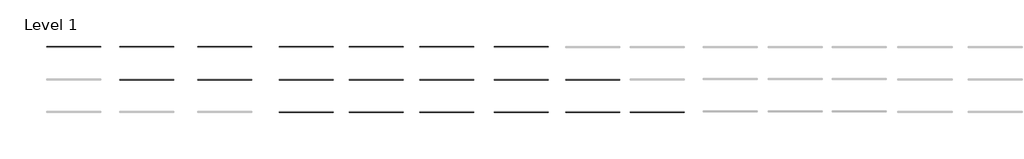
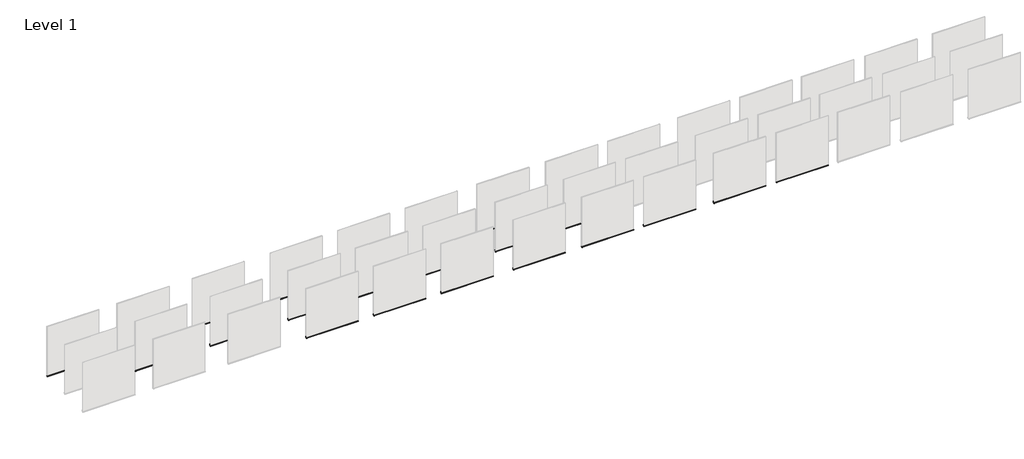
# One storey, part 2 of 3: 22 proxies.
"""IFC4 building model written with IfcOpenShell, lengths in millimetres."""

from ifc_helpers import new_model, si_unit, origin, place, context, project, spatial, faceted_brep, element, save

model = new_model("IFC4")

# Units and contexts
model_context = context("Model", 3, world=origin())
ifc_project = project(units=[si_unit("LENGTHUNIT", "METRE", prefix="MILLI")], contexts=[model_context])

# Site, building, storey
site = spatial("IfcSite", under=ifc_project)
building = spatial("IfcBuilding", under=site)
storey = spatial("IfcBuildingStorey", under=building, Name="Level 1", Elevation=0.0)

# Proxies
placement = place(None, origin())
element("IfcBuildingElementProxy", 1, Name="Wall Sweeps", at=placement, inside=storey, context=model_context, shape_type="Brep", body=[
    faceted_brep([(48716.5829698, -72467.0971315, 69.85), (48716.5829698, -72465.5096315, 69.85), (48716.5829698, -72465.5096315, -1.5875), (48716.5829698, -72529.0096315, -1.5875), (48716.5829698, -72529.0096315, -24.742436), (48716.5829698, -72519.9495995, -33.802468), (48716.5829698, -72521.0721315, -34.925), (48716.5829698, -72530.5971315, -25.4), (48716.5829698, -72530.5971315, 0.0), (48716.5829698, -72516.3096315, 0.0), (48716.5829698, -72479.7971315, 0.0), (48716.5829698, -72467.0971315, 0.0), (51764.5829698, -72467.0971315, 69.85), (51764.5829698, -72467.0971315, 0.0), (51764.5829698, -72479.7971315, 0.0), (51764.5829698, -72516.3096315, 0.0), (51764.5829698, -72530.5971315, 0.0), (51764.5829698, -72530.5971315, -25.4), (51764.5829698, -72521.0721315, -34.925), (51764.5829698, -72519.9495995, -33.802468), (51764.5829698, -72529.0096315, -24.742436), (51764.5829698, -72529.0096315, -1.5875), (51764.5829698, -72465.5096315, -1.5875), (51764.5829698, -72465.5096315, 69.85)], [[[0, 1, 2, 3, 4, 5, 6, 7, 8, 9, 10, 11]], [[12, 13, 14, 15, 16, 17, 18, 19, 20, 21, 22, 23]], [[1, 0, 12, 23]], [[2, 1, 23, 22]], [[3, 2, 22, 21]], [[4, 3, 21, 20]], [[5, 4, 20, 19]], [[6, 5, 19, 18]], [[7, 6, 18, 17]], [[8, 7, 17, 16]], [[11, 10, 9, 8, 16, 15, 14, 13]], [[0, 11, 13, 12]]]),
])
element("IfcBuildingElementProxy", 2, Name="Wall Sweeps", at=placement, inside=storey, context=model_context, shape_type="Brep", body=[
    faceted_brep([(56641.3829698, -72467.0971315, 69.85), (56641.3829698, -72465.5096315, 69.85), (56641.3829698, -72465.5096315, -1.5875), (56641.3829698, -72529.0096315, -1.5875), (56641.3829698, -72529.0096315, -24.742436), (56641.3829698, -72519.9495995, -33.802468), (56641.3829698, -72521.0721315, -34.925), (56641.3829698, -72530.5971315, -25.4), (56641.3829698, -72530.5971315, 0.0), (56641.3829698, -72516.3096315, 0.0), (56641.3829698, -72479.7971315, 0.0), (56641.3829698, -72467.0971315, 0.0), (59689.3829698, -72467.0971315, 69.85), (59689.3829698, -72467.0971315, 0.0), (59689.3829698, -72479.7971315, 0.0), (59689.3829698, -72516.3096315, 0.0), (59689.3829698, -72530.5971315, 0.0), (59689.3829698, -72530.5971315, -25.4), (59689.3829698, -72521.0721315, -34.925), (59689.3829698, -72519.9495995, -33.802468), (59689.3829698, -72529.0096315, -24.742436), (59689.3829698, -72529.0096315, -1.5875), (59689.3829698, -72465.5096315, -1.5875), (59689.3829698, -72465.5096315, 69.85)], [[[0, 1, 2, 3, 4, 5, 6, 7, 8, 9, 10, 11]], [[12, 13, 14, 15, 16, 17, 18, 19, 20, 21, 22, 23]], [[1, 0, 12, 23]], [[2, 1, 23, 22]], [[3, 2, 22, 21]], [[4, 3, 21, 20]], [[5, 4, 20, 19]], [[6, 5, 19, 18]], [[7, 6, 18, 17]], [[8, 7, 17, 16]], [[11, 10, 9, 8, 16, 15, 14, 13]], [[0, 11, 13, 12]]]),
])
element("IfcBuildingElementProxy", 3, Name="Wall Sweeps", at=placement, inside=storey, context=model_context, shape_type="Brep", body=[
    faceted_brep([(64870.9829698, -72467.0971315, 69.85), (64870.9829698, -72465.5096315, 69.85), (64870.9829698, -72465.5096315, -1.5875), (64870.9829698, -72529.0096315, -1.5875), (64870.9829698, -72529.0096315, -24.742436), (64870.9829698, -72519.9495995, -33.802468), (64870.9829698, -72521.0721315, -34.925), (64870.9829698, -72530.5971315, -25.4), (64870.9829698, -72530.5971315, 0.0), (64870.9829698, -72516.3096315, 0.0), (64870.9829698, -72479.7971315, 0.0), (64870.9829698, -72467.0971315, 0.0), (67918.9829698, -72467.0971315, 69.85), (67918.9829698, -72467.0971315, 0.0), (67918.9829698, -72479.7971315, 0.0), (67918.9829698, -72516.3096315, 0.0), (67918.9829698, -72530.5971315, 0.0), (67918.9829698, -72530.5971315, -25.4), (67918.9829698, -72521.0721315, -34.925), (67918.9829698, -72519.9495995, -33.802468), (67918.9829698, -72529.0096315, -24.742436), (67918.9829698, -72529.0096315, -1.5875), (67918.9829698, -72465.5096315, -1.5875), (67918.9829698, -72465.5096315, 69.85)], [[[0, 1, 2, 3, 4, 5, 6, 7, 8, 9, 10, 11]], [[12, 13, 14, 15, 16, 17, 18, 19, 20, 21, 22, 23]], [[1, 0, 12, 23]], [[2, 1, 23, 22]], [[3, 2, 22, 21]], [[4, 3, 21, 20]], [[5, 4, 20, 19]], [[6, 5, 19, 18]], [[7, 6, 18, 17]], [[8, 7, 17, 16]], [[11, 10, 9, 8, 16, 15, 14, 13]], [[0, 11, 13, 12]]]),
])
element("IfcBuildingElementProxy", 4, Name="Wall Sweeps", at=placement, inside=storey, context=model_context, shape_type="Brep", body=[
    faceted_brep([(72643.3829698, -72451.2221315, 69.85), (72643.3829698, -72449.6346315, 69.85), (72643.3829698, -72449.6346315, -1.5875), (72643.3829698, -72513.1346315, -1.5875), (72643.3829698, -72513.1346315, -24.742436), (72643.3829698, -72504.0745995, -33.802468), (72643.3829698, -72505.1971315, -34.925), (72643.3829698, -72514.7221315, -25.4), (72643.3829698, -72514.7221315, 0.0), (72643.3829698, -72500.4346315, 0.0), (72643.3829698, -72463.9221315, 0.0), (72643.3829698, -72451.2221315, 0.0), (75691.3829698, -72451.2221315, 69.85), (75691.3829698, -72451.2221315, 0.0), (75691.3829698, -72463.9221315, 0.0), (75691.3829698, -72500.4346315, 0.0), (75691.3829698, -72514.7221315, 0.0), (75691.3829698, -72514.7221315, -25.4), (75691.3829698, -72505.1971315, -34.925), (75691.3829698, -72504.0745995, -33.802468), (75691.3829698, -72513.1346315, -24.742436), (75691.3829698, -72513.1346315, -1.5875), (75691.3829698, -72449.6346315, -1.5875), (75691.3829698, -72449.6346315, 69.85)], [[[0, 1, 2, 3, 4, 5, 6, 7, 8, 9, 10, 11]], [[12, 13, 14, 15, 16, 17, 18, 19, 20, 21, 22, 23]], [[1, 0, 12, 23]], [[2, 1, 23, 22]], [[3, 2, 22, 21]], [[4, 3, 21, 20]], [[5, 4, 20, 19]], [[6, 5, 19, 18]], [[7, 6, 18, 17]], [[8, 7, 17, 16]], [[11, 10, 9, 8, 16, 15, 14, 13]], [[0, 11, 13, 12]]]),
])
element("IfcBuildingElementProxy", 5, Name="Wall Sweeps", at=placement, inside=storey, context=model_context, shape_type="Brep", body=[
    faceted_brep([(60857.7829698, -72467.0971315, 69.85), (60857.7829698, -72465.5096315, 69.85), (60857.7829698, -72465.5096315, -1.5875), (60857.7829698, -72529.0096315, -1.5875), (60857.7829698, -72529.0096315, -24.742436), (60857.7829698, -72519.9495995, -33.802468), (60857.7829698, -72521.0721315, -34.925), (60857.7829698, -72530.5971315, -25.4), (60857.7829698, -72530.5971315, 0.0), (60857.7829698, -72516.3096315, 0.0), (60857.7829698, -72479.7971315, 0.0), (60857.7829698, -72467.0971315, 0.0), (63905.7829698, -72467.0971315, 69.85), (63905.7829698, -72467.0971315, 0.0), (63905.7829698, -72479.7971315, 0.0), (63905.7829698, -72516.3096315, 0.0), (63905.7829698, -72530.5971315, 0.0), (63905.7829698, -72530.5971315, -25.4), (63905.7829698, -72521.0721315, -34.925), (63905.7829698, -72519.9495995, -33.802468), (63905.7829698, -72529.0096315, -24.742436), (63905.7829698, -72529.0096315, -1.5875), (63905.7829698, -72465.5096315, -1.5875), (63905.7829698, -72465.5096315, 69.85)], [[[0, 1, 2, 3, 4, 5, 6, 7, 8, 9, 10, 11]], [[12, 13, 14, 15, 16, 17, 18, 19, 20, 21, 22, 23]], [[1, 0, 12, 23]], [[2, 1, 23, 22]], [[3, 2, 22, 21]], [[4, 3, 21, 20]], [[5, 4, 20, 19]], [[6, 5, 19, 18]], [[7, 6, 18, 17]], [[8, 7, 17, 16]], [[11, 10, 9, 8, 16, 15, 14, 13]], [[0, 11, 13, 12]]]),
])
element("IfcBuildingElementProxy", 6, Name="Wall Sweeps", at=placement, inside=storey, context=model_context, shape_type="Brep", body=[
    faceted_brep([(68528.5829698, -72467.0971315, 69.85), (68528.5829698, -72465.5096315, 69.85), (68528.5829698, -72465.5096315, -1.5875), (68528.5829698, -72529.0096315, -1.5875), (68528.5829698, -72529.0096315, -24.742436), (68528.5829698, -72519.9495995, -33.802468), (68528.5829698, -72521.0721315, -34.925), (68528.5829698, -72530.5971315, -25.4), (68528.5829698, -72530.5971315, 0.0), (68528.5829698, -72516.3096315, 0.0), (68528.5829698, -72479.7971315, 0.0), (68528.5829698, -72467.0971315, 0.0), (71576.5829698, -72467.0971315, 69.85), (71576.5829698, -72467.0971315, 0.0), (71576.5829698, -72479.7971315, 0.0), (71576.5829698, -72516.3096315, 0.0), (71576.5829698, -72530.5971315, 0.0), (71576.5829698, -72530.5971315, -25.4), (71576.5829698, -72521.0721315, -34.925), (71576.5829698, -72519.9495995, -33.802468), (71576.5829698, -72529.0096315, -24.742436), (71576.5829698, -72529.0096315, -1.5875), (71576.5829698, -72465.5096315, -1.5875), (71576.5829698, -72465.5096315, 69.85)], [[[0, 1, 2, 3, 4, 5, 6, 7, 8, 9, 10, 11]], [[12, 13, 14, 15, 16, 17, 18, 19, 20, 21, 22, 23]], [[1, 0, 12, 23]], [[2, 1, 23, 22]], [[3, 2, 22, 21]], [[4, 3, 21, 20]], [[5, 4, 20, 19]], [[6, 5, 19, 18]], [[7, 6, 18, 17]], [[8, 7, 17, 16]], [[11, 10, 9, 8, 16, 15, 14, 13]], [[0, 11, 13, 12]]]),
])
element("IfcBuildingElementProxy", 7, Name="Wall Sweeps", at=placement, inside=storey, context=model_context, shape_type="Brep", body=[
    faceted_brep([(76300.9829698, -72451.2221315, 69.85), (76300.9829698, -72449.6346315, 69.85), (76300.9829698, -72449.6346315, -1.5875), (76300.9829698, -72513.1346315, -1.5875), (76300.9829698, -72513.1346315, -24.742436), (76300.9829698, -72504.0745995, -33.802468), (76300.9829698, -72505.1971315, -34.925), (76300.9829698, -72514.7221315, -25.4), (76300.9829698, -72514.7221315, 0.0), (76300.9829698, -72500.4346315, 0.0), (76300.9829698, -72463.9221315, 0.0), (76300.9829698, -72451.2221315, 0.0), (79348.9829698, -72451.2221315, 69.85), (79348.9829698, -72451.2221315, 0.0), (79348.9829698, -72463.9221315, 0.0), (79348.9829698, -72500.4346315, 0.0), (79348.9829698, -72514.7221315, 0.0), (79348.9829698, -72514.7221315, -25.4), (79348.9829698, -72505.1971315, -34.925), (79348.9829698, -72504.0745995, -33.802468), (79348.9829698, -72513.1346315, -24.742436), (79348.9829698, -72513.1346315, -1.5875), (79348.9829698, -72449.6346315, -1.5875), (79348.9829698, -72449.6346315, 69.85)], [[[0, 1, 2, 3, 4, 5, 6, 7, 8, 9, 10, 11]], [[12, 13, 14, 15, 16, 17, 18, 19, 20, 21, 22, 23]], [[1, 0, 12, 23]], [[2, 1, 23, 22]], [[3, 2, 22, 21]], [[4, 3, 21, 20]], [[5, 4, 20, 19]], [[6, 5, 19, 18]], [[7, 6, 18, 17]], [[8, 7, 17, 16]], [[11, 10, 9, 8, 16, 15, 14, 13]], [[0, 11, 13, 12]]]),
])
element("IfcBuildingElementProxy", 8, Name="Wall Sweeps", at=placement, inside=storey, context=model_context, shape_type="Brep", body=[
    faceted_brep([(52678.9829698, -72467.0971315, 69.85), (52678.9829698, -72465.5096315, 69.85), (52678.9829698, -72465.5096315, -1.5875), (52678.9829698, -72529.0096315, -1.5875), (52678.9829698, -72529.0096315, -24.742436), (52678.9829698, -72519.9495995, -33.802468), (52678.9829698, -72521.0721315, -34.925), (52678.9829698, -72530.5971315, -25.4), (52678.9829698, -72530.5971315, 0.0), (52678.9829698, -72516.3096315, 0.0), (52678.9829698, -72479.7971315, 0.0), (52678.9829698, -72467.0971315, 0.0), (55726.9829698, -72467.0971315, 69.85), (55726.9829698, -72467.0971315, 0.0), (55726.9829698, -72479.7971315, 0.0), (55726.9829698, -72516.3096315, 0.0), (55726.9829698, -72530.5971315, 0.0), (55726.9829698, -72530.5971315, -25.4), (55726.9829698, -72521.0721315, -34.925), (55726.9829698, -72519.9495995, -33.802468), (55726.9829698, -72529.0096315, -24.742436), (55726.9829698, -72529.0096315, -1.5875), (55726.9829698, -72465.5096315, -1.5875), (55726.9829698, -72465.5096315, 69.85)], [[[0, 1, 2, 3, 4, 5, 6, 7, 8, 9, 10, 11]], [[12, 13, 14, 15, 16, 17, 18, 19, 20, 21, 22, 23]], [[1, 0, 12, 23]], [[2, 1, 23, 22]], [[3, 2, 22, 21]], [[4, 3, 21, 20]], [[5, 4, 20, 19]], [[6, 5, 19, 18]], [[7, 6, 18, 17]], [[8, 7, 17, 16]], [[11, 10, 9, 8, 16, 15, 14, 13]], [[0, 11, 13, 12]]]),
])
element("IfcBuildingElementProxy", 9, Name="Wall Sweeps", at=placement, inside=storey, context=model_context, shape_type="Brep", body=[
    faceted_brep([(48716.5829698, -70638.2971315, 69.85), (48716.5829698, -70636.7096315, 69.85), (48716.5829698, -70636.7096315, -1.5875), (48716.5829698, -70700.2096315, -1.5875), (48716.5829698, -70700.2096315, -24.742436), (48716.5829698, -70691.1495995, -33.802468), (48716.5829698, -70692.2721315, -34.925), (48716.5829698, -70701.7971315, -25.4), (48716.5829698, -70701.7971315, 0.0), (48716.5829698, -70687.5096315, 0.0), (48716.5829698, -70650.9971315, 0.0), (48716.5829698, -70638.2971315, 0.0), (51764.5829698, -70638.2971315, 69.85), (51764.5829698, -70638.2971315, 0.0), (51764.5829698, -70650.9971315, 0.0), (51764.5829698, -70687.5096315, 0.0), (51764.5829698, -70701.7971315, 0.0), (51764.5829698, -70701.7971315, -25.4), (51764.5829698, -70692.2721315, -34.925), (51764.5829698, -70691.1495995, -33.802468), (51764.5829698, -70700.2096315, -24.742436), (51764.5829698, -70700.2096315, -1.5875), (51764.5829698, -70636.7096315, -1.5875), (51764.5829698, -70636.7096315, 69.85)], [[[0, 1, 2, 3, 4, 5, 6, 7, 8, 9, 10, 11]], [[12, 13, 14, 15, 16, 17, 18, 19, 20, 21, 22, 23]], [[1, 0, 12, 23]], [[2, 1, 23, 22]], [[3, 2, 22, 21]], [[4, 3, 21, 20]], [[5, 4, 20, 19]], [[6, 5, 19, 18]], [[7, 6, 18, 17]], [[8, 7, 17, 16]], [[11, 10, 9, 8, 16, 15, 14, 13]], [[0, 11, 13, 12]]]),
])
element("IfcBuildingElementProxy", 10, Name="Wall Sweeps", at=placement, inside=storey, context=model_context, shape_type="Brep", body=[
    faceted_brep([(56641.3829698, -70638.2971315, 69.85), (56641.3829698, -70636.7096315, 69.85), (56641.3829698, -70636.7096315, -1.5875), (56641.3829698, -70700.2096315, -1.5875), (56641.3829698, -70700.2096315, -24.742436), (56641.3829698, -70691.1495995, -33.802468), (56641.3829698, -70692.2721315, -34.925), (56641.3829698, -70701.7971315, -25.4), (56641.3829698, -70701.7971315, 0.0), (56641.3829698, -70687.5096315, 0.0), (56641.3829698, -70650.9971315, 0.0), (56641.3829698, -70638.2971315, 0.0), (59689.3829698, -70638.2971315, 69.85), (59689.3829698, -70638.2971315, 0.0), (59689.3829698, -70650.9971315, 0.0), (59689.3829698, -70687.5096315, 0.0), (59689.3829698, -70701.7971315, 0.0), (59689.3829698, -70701.7971315, -25.4), (59689.3829698, -70692.2721315, -34.925), (59689.3829698, -70691.1495995, -33.802468), (59689.3829698, -70700.2096315, -24.742436), (59689.3829698, -70700.2096315, -1.5875), (59689.3829698, -70636.7096315, -1.5875), (59689.3829698, -70636.7096315, 69.85)], [[[0, 1, 2, 3, 4, 5, 6, 7, 8, 9, 10, 11]], [[12, 13, 14, 15, 16, 17, 18, 19, 20, 21, 22, 23]], [[1, 0, 12, 23]], [[2, 1, 23, 22]], [[3, 2, 22, 21]], [[4, 3, 21, 20]], [[5, 4, 20, 19]], [[6, 5, 19, 18]], [[7, 6, 18, 17]], [[8, 7, 17, 16]], [[11, 10, 9, 8, 16, 15, 14, 13]], [[0, 11, 13, 12]]]),
])
element("IfcBuildingElementProxy", 11, Name="Wall Sweeps", at=placement, inside=storey, context=model_context, shape_type="Brep", body=[
    faceted_brep([(64870.9829698, -70638.2971315, 69.85), (64870.9829698, -70636.7096315, 69.85), (64870.9829698, -70636.7096315, -1.5875), (64870.9829698, -70700.2096315, -1.5875), (64870.9829698, -70700.2096315, -24.742436), (64870.9829698, -70691.1495995, -33.802468), (64870.9829698, -70692.2721315, -34.925), (64870.9829698, -70701.7971315, -25.4), (64870.9829698, -70701.7971315, 0.0), (64870.9829698, -70687.5096315, 0.0), (64870.9829698, -70650.9971315, 0.0), (64870.9829698, -70638.2971315, 0.0), (67918.9829698, -70638.2971315, 69.85), (67918.9829698, -70638.2971315, 0.0), (67918.9829698, -70650.9971315, 0.0), (67918.9829698, -70687.5096315, 0.0), (67918.9829698, -70701.7971315, 0.0), (67918.9829698, -70701.7971315, -25.4), (67918.9829698, -70692.2721315, -34.925), (67918.9829698, -70691.1495995, -33.802468), (67918.9829698, -70700.2096315, -24.742436), (67918.9829698, -70700.2096315, -1.5875), (67918.9829698, -70636.7096315, -1.5875), (67918.9829698, -70636.7096315, 69.85)], [[[0, 1, 2, 3, 4, 5, 6, 7, 8, 9, 10, 11]], [[12, 13, 14, 15, 16, 17, 18, 19, 20, 21, 22, 23]], [[1, 0, 12, 23]], [[2, 1, 23, 22]], [[3, 2, 22, 21]], [[4, 3, 21, 20]], [[5, 4, 20, 19]], [[6, 5, 19, 18]], [[7, 6, 18, 17]], [[8, 7, 17, 16]], [[11, 10, 9, 8, 16, 15, 14, 13]], [[0, 11, 13, 12]]]),
])
element("IfcBuildingElementProxy", 12, Name="Wall Sweeps", at=placement, inside=storey, context=model_context, shape_type="Brep", body=[
    faceted_brep([(60857.7829698, -70638.2971315, 69.85), (60857.7829698, -70636.7096315, 69.85), (60857.7829698, -70636.7096315, -1.5875), (60857.7829698, -70700.2096315, -1.5875), (60857.7829698, -70700.2096315, -24.742436), (60857.7829698, -70691.1495995, -33.802468), (60857.7829698, -70692.2721315, -34.925), (60857.7829698, -70701.7971315, -25.4), (60857.7829698, -70701.7971315, 0.0), (60857.7829698, -70687.5096315, 0.0), (60857.7829698, -70650.9971315, 0.0), (60857.7829698, -70638.2971315, 0.0), (63905.7829698, -70638.2971315, 69.85), (63905.7829698, -70638.2971315, 0.0), (63905.7829698, -70650.9971315, 0.0), (63905.7829698, -70687.5096315, 0.0), (63905.7829698, -70701.7971315, 0.0), (63905.7829698, -70701.7971315, -25.4), (63905.7829698, -70692.2721315, -34.925), (63905.7829698, -70691.1495995, -33.802468), (63905.7829698, -70700.2096315, -24.742436), (63905.7829698, -70700.2096315, -1.5875), (63905.7829698, -70636.7096315, -1.5875), (63905.7829698, -70636.7096315, 69.85)], [[[0, 1, 2, 3, 4, 5, 6, 7, 8, 9, 10, 11]], [[12, 13, 14, 15, 16, 17, 18, 19, 20, 21, 22, 23]], [[1, 0, 12, 23]], [[2, 1, 23, 22]], [[3, 2, 22, 21]], [[4, 3, 21, 20]], [[5, 4, 20, 19]], [[6, 5, 19, 18]], [[7, 6, 18, 17]], [[8, 7, 17, 16]], [[11, 10, 9, 8, 16, 15, 14, 13]], [[0, 11, 13, 12]]]),
])
element("IfcBuildingElementProxy", 13, Name="Wall Sweeps", at=placement, inside=storey, context=model_context, shape_type="Brep", body=[
    faceted_brep([(52678.9829698, -70638.2971315, 69.85), (52678.9829698, -70636.7096315, 69.85), (52678.9829698, -70636.7096315, -1.5875), (52678.9829698, -70700.2096315, -1.5875), (52678.9829698, -70700.2096315, -24.742436), (52678.9829698, -70691.1495995, -33.802468), (52678.9829698, -70692.2721315, -34.925), (52678.9829698, -70701.7971315, -25.4), (52678.9829698, -70701.7971315, 0.0), (52678.9829698, -70687.5096315, 0.0), (52678.9829698, -70650.9971315, 0.0), (52678.9829698, -70638.2971315, 0.0), (55726.9829698, -70638.2971315, 69.85), (55726.9829698, -70638.2971315, 0.0), (55726.9829698, -70650.9971315, 0.0), (55726.9829698, -70687.5096315, 0.0), (55726.9829698, -70701.7971315, 0.0), (55726.9829698, -70701.7971315, -25.4), (55726.9829698, -70692.2721315, -34.925), (55726.9829698, -70691.1495995, -33.802468), (55726.9829698, -70700.2096315, -24.742436), (55726.9829698, -70700.2096315, -1.5875), (55726.9829698, -70636.7096315, -1.5875), (55726.9829698, -70636.7096315, 69.85)], [[[0, 1, 2, 3, 4, 5, 6, 7, 8, 9, 10, 11]], [[12, 13, 14, 15, 16, 17, 18, 19, 20, 21, 22, 23]], [[1, 0, 12, 23]], [[2, 1, 23, 22]], [[3, 2, 22, 21]], [[4, 3, 21, 20]], [[5, 4, 20, 19]], [[6, 5, 19, 18]], [[7, 6, 18, 17]], [[8, 7, 17, 16]], [[11, 10, 9, 8, 16, 15, 14, 13]], [[0, 11, 13, 12]]]),
])
element("IfcBuildingElementProxy", 14, Name="Wall Sweeps", at=placement, inside=storey, context=model_context, shape_type="Brep", body=[
    faceted_brep([(44144.5829698, -70638.2971315, 69.85), (44144.5829698, -70636.7096315, 69.85), (44144.5829698, -70636.7096315, -1.5875), (44144.5829698, -70700.2096315, -1.5875), (44144.5829698, -70700.2096315, -24.742436), (44144.5829698, -70691.1495995, -33.802468), (44144.5829698, -70692.2721315, -34.925), (44144.5829698, -70701.7971315, -25.4), (44144.5829698, -70701.7971315, 0.0), (44144.5829698, -70687.5096315, 0.0), (44144.5829698, -70650.9971315, 0.0), (44144.5829698, -70638.2971315, 0.0), (47192.5829698, -70638.2971315, 69.85), (47192.5829698, -70638.2971315, 0.0), (47192.5829698, -70650.9971315, 0.0), (47192.5829698, -70687.5096315, 0.0), (47192.5829698, -70701.7971315, 0.0), (47192.5829698, -70701.7971315, -25.4), (47192.5829698, -70692.2721315, -34.925), (47192.5829698, -70691.1495995, -33.802468), (47192.5829698, -70700.2096315, -24.742436), (47192.5829698, -70700.2096315, -1.5875), (47192.5829698, -70636.7096315, -1.5875), (47192.5829698, -70636.7096315, 69.85)], [[[0, 1, 2, 3, 4, 5, 6, 7, 8, 9, 10, 11]], [[12, 13, 14, 15, 16, 17, 18, 19, 20, 21, 22, 23]], [[1, 0, 12, 23]], [[2, 1, 23, 22]], [[3, 2, 22, 21]], [[4, 3, 21, 20]], [[5, 4, 20, 19]], [[6, 5, 19, 18]], [[7, 6, 18, 17]], [[8, 7, 17, 16]], [[11, 10, 9, 8, 16, 15, 14, 13]], [[0, 11, 13, 12]]]),
])
element("IfcBuildingElementProxy", 15, Name="Wall Sweeps", at=placement, inside=storey, context=model_context, shape_type="Brep", body=[
    faceted_brep([(39724.9829698, -70638.2971315, 69.85), (39724.9829698, -70636.7096315, 69.85), (39724.9829698, -70636.7096315, -1.5875), (39724.9829698, -70700.2096315, -1.5875), (39724.9829698, -70700.2096315, -24.742436), (39724.9829698, -70691.1495995, -33.802468), (39724.9829698, -70692.2721315, -34.925), (39724.9829698, -70701.7971315, -25.4), (39724.9829698, -70701.7971315, 0.0), (39724.9829698, -70687.5096315, 0.0), (39724.9829698, -70650.9971315, 0.0), (39724.9829698, -70638.2971315, 0.0), (42772.9829698, -70638.2971315, 69.85), (42772.9829698, -70638.2971315, 0.0), (42772.9829698, -70650.9971315, 0.0), (42772.9829698, -70687.5096315, 0.0), (42772.9829698, -70701.7971315, 0.0), (42772.9829698, -70701.7971315, -25.4), (42772.9829698, -70692.2721315, -34.925), (42772.9829698, -70691.1495995, -33.802468), (42772.9829698, -70700.2096315, -24.742436), (42772.9829698, -70700.2096315, -1.5875), (42772.9829698, -70636.7096315, -1.5875), (42772.9829698, -70636.7096315, 69.85)], [[[0, 1, 2, 3, 4, 5, 6, 7, 8, 9, 10, 11]], [[12, 13, 14, 15, 16, 17, 18, 19, 20, 21, 22, 23]], [[1, 0, 12, 23]], [[2, 1, 23, 22]], [[3, 2, 22, 21]], [[4, 3, 21, 20]], [[5, 4, 20, 19]], [[6, 5, 19, 18]], [[7, 6, 18, 17]], [[8, 7, 17, 16]], [[11, 10, 9, 8, 16, 15, 14, 13]], [[0, 11, 13, 12]]]),
])
element("IfcBuildingElementProxy", 16, Name="Wall Sweeps", at=placement, inside=storey, context=model_context, shape_type="Brep", body=[
    faceted_brep([(48716.5829698, -68820.1446635, 69.85), (48716.5829698, -68818.5571635, 69.85), (48716.5829698, -68818.5571635, -1.5875), (48716.5829698, -68882.0571635, -1.5875), (48716.5829698, -68882.0571635, -24.742436), (48716.5829698, -68872.9971315, -33.802468), (48716.5829698, -68874.1196635, -34.925), (48716.5829698, -68883.6446635, -25.4), (48716.5829698, -68883.6446635, 0.0), (48716.5829698, -68869.3571635, 0.0), (48716.5829698, -68832.8446635, 0.0), (48716.5829698, -68820.1446635, 0.0), (51764.5829698, -68820.1446635, 69.85), (51764.5829698, -68820.1446635, 0.0), (51764.5829698, -68832.8446635, 0.0), (51764.5829698, -68869.3571635, 0.0), (51764.5829698, -68883.6446635, 0.0), (51764.5829698, -68883.6446635, -25.4), (51764.5829698, -68874.1196635, -34.925), (51764.5829698, -68872.9971315, -33.802468), (51764.5829698, -68882.0571635, -24.742436), (51764.5829698, -68882.0571635, -1.5875), (51764.5829698, -68818.5571635, -1.5875), (51764.5829698, -68818.5571635, 69.85)], [[[0, 1, 2, 3, 4, 5, 6, 7, 8, 9, 10, 11]], [[12, 13, 14, 15, 16, 17, 18, 19, 20, 21, 22, 23]], [[1, 0, 12, 23]], [[2, 1, 23, 22]], [[3, 2, 22, 21]], [[4, 3, 21, 20]], [[5, 4, 20, 19]], [[6, 5, 19, 18]], [[7, 6, 18, 17]], [[8, 7, 17, 16]], [[11, 10, 9, 8, 16, 15, 14, 13]], [[0, 11, 13, 12]]]),
])
element("IfcBuildingElementProxy", 17, Name="Wall Sweeps", at=placement, inside=storey, context=model_context, shape_type="Brep", body=[
    faceted_brep([(56641.3829698, -68820.1446635, 69.85), (56641.3829698, -68818.5571635, 69.85), (56641.3829698, -68818.5571635, -1.5875), (56641.3829698, -68882.0571635, -1.5875), (56641.3829698, -68882.0571635, -24.742436), (56641.3829698, -68872.9971315, -33.802468), (56641.3829698, -68874.1196635, -34.925), (56641.3829698, -68883.6446635, -25.4), (56641.3829698, -68883.6446635, 0.0), (56641.3829698, -68869.3571635, 0.0), (56641.3829698, -68832.8446635, 0.0), (56641.3829698, -68820.1446635, 0.0), (59689.3829698, -68820.1446635, 69.85), (59689.3829698, -68820.1446635, 0.0), (59689.3829698, -68832.8446635, 0.0), (59689.3829698, -68869.3571635, 0.0), (59689.3829698, -68883.6446635, 0.0), (59689.3829698, -68883.6446635, -25.4), (59689.3829698, -68874.1196635, -34.925), (59689.3829698, -68872.9971315, -33.802468), (59689.3829698, -68882.0571635, -24.742436), (59689.3829698, -68882.0571635, -1.5875), (59689.3829698, -68818.5571635, -1.5875), (59689.3829698, -68818.5571635, 69.85)], [[[0, 1, 2, 3, 4, 5, 6, 7, 8, 9, 10, 11]], [[12, 13, 14, 15, 16, 17, 18, 19, 20, 21, 22, 23]], [[1, 0, 12, 23]], [[2, 1, 23, 22]], [[3, 2, 22, 21]], [[4, 3, 21, 20]], [[5, 4, 20, 19]], [[6, 5, 19, 18]], [[7, 6, 18, 17]], [[8, 7, 17, 16]], [[11, 10, 9, 8, 16, 15, 14, 13]], [[0, 11, 13, 12]]]),
])
element("IfcBuildingElementProxy", 18, Name="Wall Sweeps", at=placement, inside=storey, context=model_context, shape_type="Brep", body=[
    faceted_brep([(60857.7829698, -68820.1446635, 69.85), (60857.7829698, -68818.5571635, 69.85), (60857.7829698, -68818.5571635, -1.5875), (60857.7829698, -68882.0571635, -1.5875), (60857.7829698, -68882.0571635, -24.742436), (60857.7829698, -68872.9971315, -33.802468), (60857.7829698, -68874.1196635, -34.925), (60857.7829698, -68883.6446635, -25.4), (60857.7829698, -68883.6446635, 0.0), (60857.7829698, -68869.3571635, 0.0), (60857.7829698, -68832.8446635, 0.0), (60857.7829698, -68820.1446635, 0.0), (63905.7829698, -68820.1446635, 69.85), (63905.7829698, -68820.1446635, 0.0), (63905.7829698, -68832.8446635, 0.0), (63905.7829698, -68869.3571635, 0.0), (63905.7829698, -68883.6446635, 0.0), (63905.7829698, -68883.6446635, -25.4), (63905.7829698, -68874.1196635, -34.925), (63905.7829698, -68872.9971315, -33.802468), (63905.7829698, -68882.0571635, -24.742436), (63905.7829698, -68882.0571635, -1.5875), (63905.7829698, -68818.5571635, -1.5875), (63905.7829698, -68818.5571635, 69.85)], [[[0, 1, 2, 3, 4, 5, 6, 7, 8, 9, 10, 11]], [[12, 13, 14, 15, 16, 17, 18, 19, 20, 21, 22, 23]], [[1, 0, 12, 23]], [[2, 1, 23, 22]], [[3, 2, 22, 21]], [[4, 3, 21, 20]], [[5, 4, 20, 19]], [[6, 5, 19, 18]], [[7, 6, 18, 17]], [[8, 7, 17, 16]], [[11, 10, 9, 8, 16, 15, 14, 13]], [[0, 11, 13, 12]]]),
])
element("IfcBuildingElementProxy", 19, Name="Wall Sweeps", at=placement, inside=storey, context=model_context, shape_type="Brep", body=[
    faceted_brep([(52678.9829698, -68820.1446635, 69.85), (52678.9829698, -68818.5571635, 69.85), (52678.9829698, -68818.5571635, -1.5875), (52678.9829698, -68882.0571635, -1.5875), (52678.9829698, -68882.0571635, -24.742436), (52678.9829698, -68872.9971315, -33.802468), (52678.9829698, -68874.1196635, -34.925), (52678.9829698, -68883.6446635, -25.4), (52678.9829698, -68883.6446635, 0.0), (52678.9829698, -68869.3571635, 0.0), (52678.9829698, -68832.8446635, 0.0), (52678.9829698, -68820.1446635, 0.0), (55726.9829698, -68820.1446635, 69.85), (55726.9829698, -68820.1446635, 0.0), (55726.9829698, -68832.8446635, 0.0), (55726.9829698, -68869.3571635, 0.0), (55726.9829698, -68883.6446635, 0.0), (55726.9829698, -68883.6446635, -25.4), (55726.9829698, -68874.1196635, -34.925), (55726.9829698, -68872.9971315, -33.802468), (55726.9829698, -68882.0571635, -24.742436), (55726.9829698, -68882.0571635, -1.5875), (55726.9829698, -68818.5571635, -1.5875), (55726.9829698, -68818.5571635, 69.85)], [[[0, 1, 2, 3, 4, 5, 6, 7, 8, 9, 10, 11]], [[12, 13, 14, 15, 16, 17, 18, 19, 20, 21, 22, 23]], [[1, 0, 12, 23]], [[2, 1, 23, 22]], [[3, 2, 22, 21]], [[4, 3, 21, 20]], [[5, 4, 20, 19]], [[6, 5, 19, 18]], [[7, 6, 18, 17]], [[8, 7, 17, 16]], [[11, 10, 9, 8, 16, 15, 14, 13]], [[0, 11, 13, 12]]]),
])
element("IfcBuildingElementProxy", 20, Name="Wall Sweeps", at=placement, inside=storey, context=model_context, shape_type="Brep", body=[
    faceted_brep([(44144.5829698, -68820.1446635, 69.85), (44144.5829698, -68818.5571635, 69.85), (44144.5829698, -68818.5571635, -1.5875), (44144.5829698, -68882.0571635, -1.5875), (44144.5829698, -68882.0571635, -24.742436), (44144.5829698, -68872.9971315, -33.802468), (44144.5829698, -68874.1196635, -34.925), (44144.5829698, -68883.6446635, -25.4), (44144.5829698, -68883.6446635, 0.0), (44144.5829698, -68869.3571635, 0.0), (44144.5829698, -68832.8446635, 0.0), (44144.5829698, -68820.1446635, 0.0), (47192.5829698, -68820.1446635, 69.85), (47192.5829698, -68820.1446635, 0.0), (47192.5829698, -68832.8446635, 0.0), (47192.5829698, -68869.3571635, 0.0), (47192.5829698, -68883.6446635, 0.0), (47192.5829698, -68883.6446635, -25.4), (47192.5829698, -68874.1196635, -34.925), (47192.5829698, -68872.9971315, -33.802468), (47192.5829698, -68882.0571635, -24.742436), (47192.5829698, -68882.0571635, -1.5875), (47192.5829698, -68818.5571635, -1.5875), (47192.5829698, -68818.5571635, 69.85)], [[[0, 1, 2, 3, 4, 5, 6, 7, 8, 9, 10, 11]], [[12, 13, 14, 15, 16, 17, 18, 19, 20, 21, 22, 23]], [[1, 0, 12, 23]], [[2, 1, 23, 22]], [[3, 2, 22, 21]], [[4, 3, 21, 20]], [[5, 4, 20, 19]], [[6, 5, 19, 18]], [[7, 6, 18, 17]], [[8, 7, 17, 16]], [[11, 10, 9, 8, 16, 15, 14, 13]], [[0, 11, 13, 12]]]),
])
element("IfcBuildingElementProxy", 21, Name="Wall Sweeps", at=placement, inside=storey, context=model_context, shape_type="Brep", body=[
    faceted_brep([(39724.9829698, -68820.1446635, 69.85), (39724.9829698, -68818.5571635, 69.85), (39724.9829698, -68818.5571635, -1.5875), (39724.9829698, -68882.0571635, -1.5875), (39724.9829698, -68882.0571635, -24.742436), (39724.9829698, -68872.9971315, -33.802468), (39724.9829698, -68874.1196635, -34.925), (39724.9829698, -68883.6446635, -25.4), (39724.9829698, -68883.6446635, 0.0), (39724.9829698, -68869.3571635, 0.0), (39724.9829698, -68832.8446635, 0.0), (39724.9829698, -68820.1446635, 0.0), (42772.9829698, -68820.1446635, 69.85), (42772.9829698, -68820.1446635, 0.0), (42772.9829698, -68832.8446635, 0.0), (42772.9829698, -68869.3571635, 0.0), (42772.9829698, -68883.6446635, 0.0), (42772.9829698, -68883.6446635, -25.4), (42772.9829698, -68874.1196635, -34.925), (42772.9829698, -68872.9971315, -33.802468), (42772.9829698, -68882.0571635, -24.742436), (42772.9829698, -68882.0571635, -1.5875), (42772.9829698, -68818.5571635, -1.5875), (42772.9829698, -68818.5571635, 69.85)], [[[0, 1, 2, 3, 4, 5, 6, 7, 8, 9, 10, 11]], [[12, 13, 14, 15, 16, 17, 18, 19, 20, 21, 22, 23]], [[1, 0, 12, 23]], [[2, 1, 23, 22]], [[3, 2, 22, 21]], [[4, 3, 21, 20]], [[5, 4, 20, 19]], [[6, 5, 19, 18]], [[7, 6, 18, 17]], [[8, 7, 17, 16]], [[11, 10, 9, 8, 16, 15, 14, 13]], [[0, 11, 13, 12]]]),
])
element("IfcBuildingElementProxy", 22, Name="Wall Sweeps", at=placement, inside=storey, context=model_context, shape_type="Brep", body=[
    faceted_brep([(35610.1829698, -68820.1446635, 69.85), (35610.1829698, -68818.5571635, 69.85), (35610.1829698, -68818.5571635, -1.5875), (35610.1829698, -68882.0571635, -1.5875), (35610.1829698, -68882.0571635, -24.742436), (35610.1829698, -68872.9971315, -33.802468), (35610.1829698, -68874.1196635, -34.925), (35610.1829698, -68883.6446635, -25.4), (35610.1829698, -68883.6446635, 0.0), (35610.1829698, -68869.3571635, 0.0), (35610.1829698, -68832.8446635, 0.0), (35610.1829698, -68820.1446635, 0.0), (38658.1829698, -68820.1446635, 69.85), (38658.1829698, -68820.1446635, 0.0), (38658.1829698, -68832.8446635, 0.0), (38658.1829698, -68869.3571635, 0.0), (38658.1829698, -68883.6446635, 0.0), (38658.1829698, -68883.6446635, -25.4), (38658.1829698, -68874.1196635, -34.925), (38658.1829698, -68872.9971315, -33.802468), (38658.1829698, -68882.0571635, -24.742436), (38658.1829698, -68882.0571635, -1.5875), (38658.1829698, -68818.5571635, -1.5875), (38658.1829698, -68818.5571635, 69.85)], [[[0, 1, 2, 3, 4, 5, 6, 7, 8, 9, 10, 11]], [[12, 13, 14, 15, 16, 17, 18, 19, 20, 21, 22, 23]], [[1, 0, 12, 23]], [[2, 1, 23, 22]], [[3, 2, 22, 21]], [[4, 3, 21, 20]], [[5, 4, 20, 19]], [[6, 5, 19, 18]], [[7, 6, 18, 17]], [[8, 7, 17, 16]], [[11, 10, 9, 8, 16, 15, 14, 13]], [[0, 11, 13, 12]]]),
])

save(model, "model.ifc")
